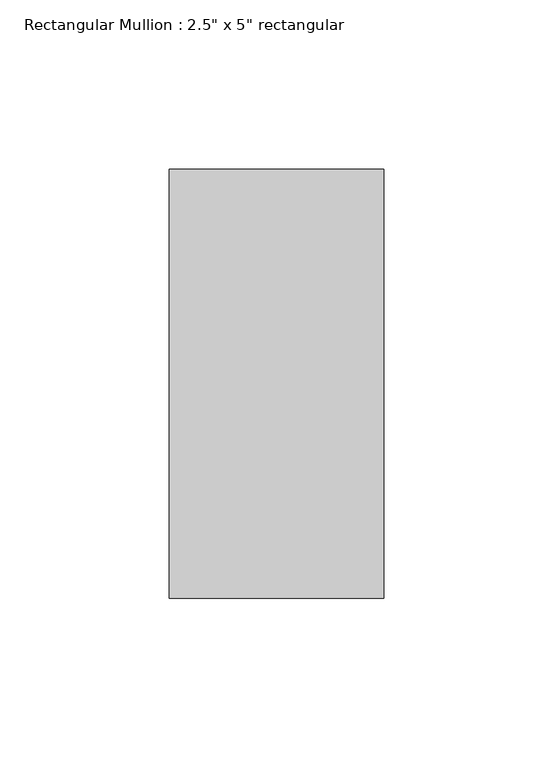
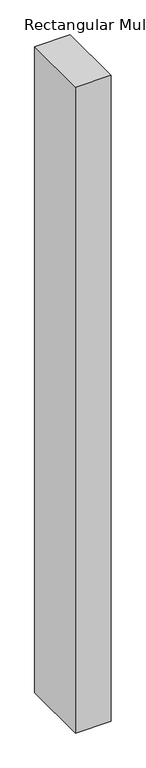
"""IFC4 building model written with IfcOpenShell, lengths in millimetres: member geometry."""

from ifc_helpers import new_model, si_unit, frame, origin, place, context, project, spatial, polyline, outline, extrude, source, transform, mapped, element, save


def member_86232e3a(model_context):
    return source(origin(), model_context, "Body", "SweptSolid", [
        extrude(outline(polyline([(0.0, 63.5), (0.0, -63.5), (-63.5, -63.5), (-63.5, 63.5), (0.0, 63.5)])), frame((0.0, 0.0, -1225.5500001), z_axis=(0.0, 0.0, 1.0), x_axis=(1.0, 0.0, 0.0)), (0.0, 0.0, 1.0), 1225.5500001),
    ])


if __name__ == "__main__":
    model = new_model("IFC4")
    model_context = context("Model", 3, world=origin())
    ifc_project = project(units=[si_unit("LENGTHUNIT", "METRE", prefix="MILLI")], contexts=[model_context])
    site = spatial("IfcSite", under=ifc_project)
    building = spatial("IfcBuilding", under=site)
    placement = place(None, origin())
    member_shape = member_86232e3a(model_context)
    element("IfcMember", 1, ObjectType="Rectangular Mullion : 2.5\" x 5\" rectangular", at=placement, inside=building, context=model_context, shape_type="MappedRepresentation", body=[
        mapped(member_shape, transform((0.0, 0.0, 0.0), x_axis=(1.0, 0.0, 0.0), y_axis=(0.0, 1.0, 0.0), z_axis=(0.0, 0.0, 1.0))),
    ])
    save(model, "model.ifc")
